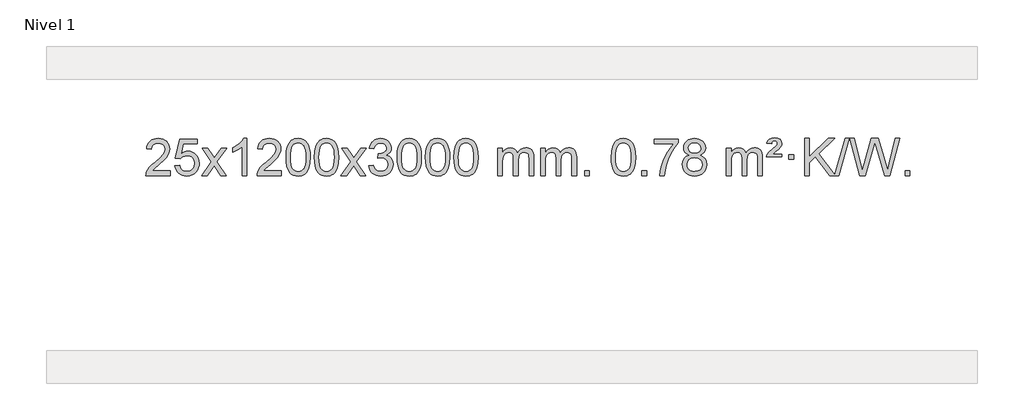
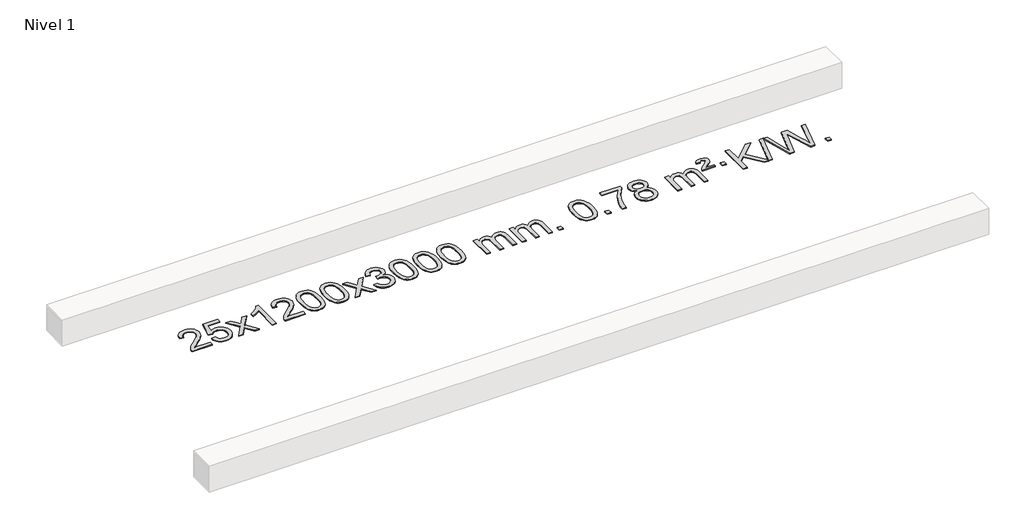
# One storey, part 7 of 7: 1 proxy.
"""IFC4 building model written with IfcOpenShell, lengths in millimetres."""

from ifc_helpers import new_model, si_unit, origin, origin_with_axes, place, context, project, spatial, polyline, outline, extrude, element, save

model = new_model("IFC4")

# Units and contexts
model_context = context("Model", 3, world=origin())
ifc_project = project(units=[si_unit("LENGTHUNIT", "METRE", prefix="MILLI")], contexts=[model_context])

# Site, building, storey
site = spatial("IfcSite", under=ifc_project)
building = spatial("IfcBuilding", under=site)
storey = spatial("IfcBuildingStorey", under=building, Name="Nivel 1", Elevation=0.0)

# Proxy
placement = place(None, origin())
element("IfcBuildingElementProxy", 1, Name="Texto de modelo 1", ObjectType="Texto de modelo 1", at=placement, inside=storey, context=model_context, shape_type="SweptSolid", body=[
    extrude(outline(polyline([(-23553.723944, 2333.9033514), (-23553.723944, 2283.6751963), (-23817.4217581, 2283.6751963), (-23816.3181122, 2301.3580575), (-23812.0261556, 2318.3051548), (-23799.640795, 2345.3690069), (-23781.5164754, 2371.6235186), (-23755.2987519, 2399.1043037), (-23718.6331797, 2429.8469757), (-23664.4318991, 2477.9904662), (-23631.9111307, 2513.5278669), (-23615.6507465, 2542.3698153), (-23610.2306185, 2570.4269488), (-23615.3441782, 2595.5778145), (-23630.6848574, 2616.4857746), (-23654.2660933, 2630.575655), (-23684.1013231, 2635.2722818), (-23715.4326064, 2630.6860196), (-23739.7741317, 2616.927233), (-23755.4826929, 2595.0750425), (-23760.9150837, 2566.2085686), (-23811.1432388, 2572.487088), (-23806.823691, 2598.4166373), (-23798.9663447, 2621.0720368), (-23787.5711999, 2640.4532866), (-23772.6382566, 2656.5603866), (-23754.5108713, 2669.2216586), (-23733.5324005, 2678.2654243), (-23709.7028443, 2683.6916838), (-23683.0222026, 2685.5004369), (-23656.1024376, 2683.4893487), (-23632.1441226, 2677.4560839), (-23611.1472578, 2667.4006427), (-23593.111843, 2653.3230251), (-23578.6264894, 2636.2655632), (-23568.2798083, 2617.2705895), (-23562.0717996, 2596.338104), (-23560.0024634, 2573.4681066), (-23562.2342808, 2549.4454124), (-23568.9297331, 2525.839651), (-23580.8123216, 2501.8292194), (-23598.6055474, 2476.5925146), (-23626.9692492, 2446.4629792), (-23670.5632657, 2407.774056), (-23728.3452644, 2359.4588873), (-23751.0067953, 2333.9033514), (-23553.723944, 2333.9033514)])), origin_with_axes(), (0.0, 0.0, 1.0), 10.0),
    extrude(outline(polyline([(-23503.4957889, 2390.4100258), (-23453.2676339, 2396.6885452), (-23444.0460585, 2366.5344844), (-23427.9573526, 2344.9398112), (-23405.0750925, 2331.9535768), (-23375.4728546, 2327.624832), (-23356.3429909, 2329.1300825), (-23339.46947, 2333.645834), (-23324.8522921, 2341.1720865), (-23312.491457, 2351.7088399), (-23302.6628764, 2364.7349283), (-23295.6424617, 2379.7291852), (-23290.0261299, 2415.6222052), (-23295.2868424, 2449.4182979), (-23301.8627331, 2463.3365), (-23311.06898, 2475.2681394), (-23322.93624, 2484.8392026), (-23337.49517, 2491.6756764), (-23374.6880397, 2497.1448554), (-23399.0540905, 2494.9620889), (-23418.7848282, 2488.4137894), (-23434.5424403, 2478.3828736), (-23446.9891145, 2465.7522585), (-23497.2172695, 2472.0307778), (-23453.2676339, 2679.2219175), (-23258.6335329, 2679.2219175), (-23258.6335329, 2628.9937624), (-23412.6534616, 2628.9937624), (-23434.1377701, 2518.3348583), (-23416.4119893, 2531.0390499), (-23398.2570128, 2540.1134724), (-23379.6728407, 2545.5581259), (-23360.6594729, 2547.3730104), (-23336.1983859, 2545.1227989), (-23313.7299931, 2538.3721643), (-23293.2542944, 2527.1211066), (-23274.7712898, 2511.3696259), (-23259.4704645, 2492.0803466), (-23248.5413035, 2470.2158933), (-23241.983807, 2445.7762661), (-23239.7979748, 2418.7614649), (-23241.7661435, 2392.7399451), (-23247.6706495, 2368.5333099), (-23257.5114929, 2346.1415591), (-23271.2886736, 2325.5646928), (-23292.1598454, 2304.4911859), (-23316.5136335, 2289.4386809), (-23344.3500378, 2280.4071779), (-23375.6690583, 2277.3966769), (-23401.5894106, 2279.3311231), (-23425.0020339, 2285.1344616), (-23445.9069283, 2294.8066923), (-23464.3040937, 2308.3478154), (-23479.6110504, 2325.0833805), (-23491.2453185, 2344.3389373), (-23499.206898, 2366.1144857), (-23503.4957889, 2390.4100258)])), origin_with_axes(), (0.0, 0.0, 1.0), 10.0),
    extrude(outline(polyline([(-23214.6838972, 2283.6751963), (-23107.3604565, 2432.0052168), (-23208.4053779, 2578.7656074), (-23147.9746288, 2578.7656074), (-23099.2180017, 2508.1322643), (-23076.4583689, 2474.7776301), (-23056.739894, 2502.0499486), (-23001.2142382, 2578.7656074), (-22940.7834891, 2578.7656074), (-23046.9297074, 2432.0052168), (-22944.7075637, 2283.6751963), (-23005.1383128, 2283.6751963), (-23066.6481824, 2372.8497919), (-23077.9298969, 2389.1347016), (-23154.2531482, 2283.6751963), (-23214.6838972, 2283.6751963)])), origin_with_axes(), (0.0, 0.0, 1.0), 10.0),
    extrude(outline(polyline([(-22724.9593853, 2283.6751963), (-22775.1875403, 2283.6751963), (-22775.1875403, 2596.8163506), (-22796.1568141, 2579.8569906), (-22822.7669451, 2562.9221561), (-22875.6438505, 2537.5628239), (-22875.6438505, 2585.0441268), (-22836.1946379, 2606.5039098), (-22802.0184005, 2632.0349203), (-22775.0771757, 2659.1846115), (-22757.3330008, 2685.5004369), (-22724.9593853, 2685.5004369), (-22724.9593853, 2283.6751963)])), origin_with_axes(), (0.0, 0.0, 1.0), 10.0),
    extrude(outline(polyline([(-22348.2482222, 2333.9033514), (-22348.2482222, 2283.6751963), (-22611.9460364, 2283.6751963), (-22610.8423904, 2301.3580575), (-22606.5504338, 2318.3051548), (-22594.1650733, 2345.3690069), (-22576.0407536, 2371.6235186), (-22549.8230301, 2399.1043037), (-22513.1574579, 2429.8469757), (-22458.9561773, 2477.9904662), (-22426.4354089, 2513.5278669), (-22410.1750247, 2542.3698153), (-22404.7548967, 2570.4269488), (-22409.8684564, 2595.5778145), (-22425.2091356, 2616.4857746), (-22448.7903715, 2630.575655), (-22478.6256013, 2635.2722818), (-22509.9568846, 2630.6860196), (-22534.2984099, 2616.927233), (-22550.0069711, 2595.0750425), (-22555.4393619, 2566.2085686), (-22605.667517, 2572.487088), (-22601.3479692, 2598.4166373), (-22593.4906229, 2621.0720368), (-22582.0954781, 2640.4532866), (-22567.1625348, 2656.5603866), (-22549.0351495, 2669.2216586), (-22528.0566787, 2678.2654243), (-22504.2271225, 2683.6916838), (-22477.5464808, 2685.5004369), (-22450.6267158, 2683.4893487), (-22426.6684008, 2677.4560839), (-22405.671536, 2667.4006427), (-22387.6361212, 2653.3230251), (-22373.1507676, 2636.2655632), (-22362.8040865, 2617.2705895), (-22356.5960778, 2596.338104), (-22354.5267416, 2573.4681066), (-22356.758559, 2549.4454124), (-22363.4540113, 2525.839651), (-22375.3365998, 2501.8292194), (-22393.1298256, 2476.5925146), (-22421.4935274, 2446.4629792), (-22465.0875439, 2407.774056), (-22522.8695426, 2359.4588873), (-22545.5310735, 2333.9033514), (-22348.2482222, 2333.9033514)])), origin_with_axes(), (0.0, 0.0, 1.0), 10.0),
    extrude(outline(polyline([(-22298.0200671, 2481.350455), (-22294.3289844, 2545.6684905), (-22283.2557364, 2596.9635034), (-22264.9106876, 2636.0203086), (-22253.0526246, 2651.2536888), (-22239.4042026, 2663.6237209), (-22223.9194363, 2673.1947842), (-22206.5523404, 2680.0312579), (-22166.1711601, 2685.5004369), (-22135.2200215, 2682.2630753), (-22107.5062446, 2672.5509907), (-22084.3296789, 2656.7443276), (-22066.9901742, 2635.2232309), (-22053.8935751, 2608.1716415), (-22043.4457265, 2575.7735005), (-22036.6031214, 2534.6320307), (-22034.322253, 2481.350455), (-22037.9765475, 2417.4003016), (-22048.9394309, 2366.227916), (-22067.1741152, 2327.1343227), (-22079.004587, 2311.8549571), (-22092.643812, 2299.4205457), (-22108.1469724, 2289.7851031), (-22125.5692505, 2282.9026441), (-22166.1711601, 2277.3966769), (-22193.8358861, 2279.7879099), (-22218.3613524, 2286.9616088), (-22239.7475591, 2298.9177736), (-22257.9945061, 2315.6564044), (-22275.505689, 2345.9146985), (-22288.0136769, 2383.6164717), (-22295.5184696, 2428.7617238), (-22298.0200671, 2481.350455)]), holes=[polyline([(-22247.7919121, 2481.4485569), (-22246.3203841, 2437.7840298), (-22241.9058001, 2402.4397671), (-22234.5481602, 2375.4157689), (-22224.2474644, 2356.7120351), (-22211.7885275, 2343.9863837), (-22197.9561644, 2334.8966328), (-22182.7503753, 2329.4427822), (-22166.1711601, 2327.624832), (-22149.5919448, 2329.4489136), (-22134.3861557, 2334.9211582), (-22120.5537927, 2344.041566), (-22108.0948558, 2356.8101369), (-22097.7941599, 2375.5445276), (-22090.43652, 2402.5623944), (-22086.021936, 2437.8637375), (-22084.5504081, 2481.4485569), (-22085.9728851, 2523.9573215), (-22090.2403163, 2558.6792504), (-22097.3527015, 2585.6143438), (-22107.3100408, 2604.7626017), (-22119.5605113, 2618.1105868), (-22133.5522898, 2627.6448618), (-22149.2853765, 2633.3654268), (-22166.7597713, 2635.2722818), (-22183.2531474, 2633.5922874), (-22198.2014191, 2628.5523041), (-22211.6045865, 2620.1523318), (-22223.4626494, 2608.3923707), (-22234.1067018, 2587.5457243), (-22241.7095964, 2559.4395399), (-22246.2713331, 2524.0738174), (-22247.7919121, 2481.4485569)])]), origin_with_axes(), (0.0, 0.0, 1.0), 10.0),
    extrude(outline(polyline([(-21990.3726173, 2481.350455), (-21986.6815346, 2545.6684905), (-21975.6082866, 2596.9635034), (-21957.2632377, 2636.0203086), (-21945.4051748, 2651.2536888), (-21931.7567527, 2663.6237209), (-21916.2719864, 2673.1947842), (-21898.9048906, 2680.0312579), (-21858.5237102, 2685.5004369), (-21827.5725717, 2682.2630753), (-21799.8587947, 2672.5509907), (-21776.682229, 2656.7443276), (-21759.3427243, 2635.2232309), (-21746.2461253, 2608.1716415), (-21735.7982766, 2575.7735005), (-21728.9556715, 2534.6320307), (-21726.6748032, 2481.350455), (-21730.3290976, 2417.4003016), (-21741.2919811, 2366.227916), (-21759.5266653, 2327.1343227), (-21771.3571372, 2311.8549571), (-21784.9963621, 2299.4205457), (-21800.4995225, 2289.7851031), (-21817.9218007, 2282.9026441), (-21858.5237102, 2277.3966769), (-21886.1884363, 2279.7879099), (-21910.7139026, 2286.9616088), (-21932.1001093, 2298.9177736), (-21950.3470562, 2315.6564044), (-21967.8582392, 2345.9146985), (-21980.366227, 2383.6164717), (-21987.8710197, 2428.7617238), (-21990.3726173, 2481.350455)]), holes=[polyline([(-21940.1444622, 2481.4485569), (-21938.6729342, 2437.7840298), (-21934.2583503, 2402.4397671), (-21926.9007104, 2375.4157689), (-21916.6000145, 2356.7120351), (-21904.1410776, 2343.9863837), (-21890.3087146, 2334.8966328), (-21875.1029255, 2329.4427822), (-21858.5237102, 2327.624832), (-21841.944495, 2329.4489136), (-21826.7387058, 2334.9211582), (-21812.9063428, 2344.041566), (-21800.4474059, 2356.8101369), (-21790.1467101, 2375.5445276), (-21782.7890702, 2402.5623944), (-21778.3744862, 2437.8637375), (-21776.9029582, 2481.4485569), (-21778.3254353, 2523.9573215), (-21782.5928664, 2558.6792504), (-21789.7052517, 2585.6143438), (-21799.662591, 2604.7626017), (-21811.9130614, 2618.1105868), (-21825.90484, 2627.6448618), (-21841.6379267, 2633.3654268), (-21859.1123214, 2635.2722818), (-21875.6056975, 2633.5922874), (-21890.5539693, 2628.5523041), (-21903.9571366, 2620.1523318), (-21915.8151996, 2608.3923707), (-21926.459252, 2587.5457243), (-21934.0621466, 2559.4395399), (-21938.6238833, 2524.0738174), (-21940.1444622, 2481.4485569)])]), origin_with_axes(), (0.0, 0.0, 1.0), 10.0),
    extrude(outline(polyline([(-21701.5607256, 2283.6751963), (-21594.2372849, 2432.0052168), (-21695.2822062, 2578.7656074), (-21634.8514572, 2578.7656074), (-21586.0948301, 2508.1322643), (-21563.3351973, 2474.7776301), (-21543.6167224, 2502.0499486), (-21488.0910666, 2578.7656074), (-21427.6603175, 2578.7656074), (-21533.8065358, 2432.0052168), (-21431.5843921, 2283.6751963), (-21492.0151412, 2283.6751963), (-21553.5250108, 2372.8497919), (-21564.8067253, 2389.1347016), (-21641.1299765, 2283.6751963), (-21701.5607256, 2283.6751963)])), origin_with_axes(), (0.0, 0.0, 1.0), 10.0),
    extrude(outline(polyline([(-21400.1917952, 2390.4100258), (-21349.9636401, 2396.6885452), (-21338.7187138, 2365.12427), (-21322.2498631, 2343.8116398), (-21299.7477478, 2331.6715339), (-21270.4030273, 2327.624832), (-21235.9692725, 2333.1921129), (-21221.6954511, 2340.1512139), (-21209.383667, 2349.8939554), (-21192.3875188, 2374.8118292), (-21186.7221361, 2405.0272038), (-21192.3384679, 2433.7097367), (-21209.1874633, 2456.9721415), (-21234.6939483, 2472.3863971), (-21266.2827489, 2477.5244823), (-21301.5013186, 2472.0307778), (-21295.9095123, 2522.2589329), (-21287.8651593, 2521.6703217), (-21257.7724121, 2525.2755653), (-21230.8679755, 2536.0912959), (-21219.7947275, 2544.270539), (-21211.8852646, 2554.3872938), (-21207.1395868, 2566.4415605), (-21205.5576943, 2580.4333391), (-21210.1439565, 2602.1261141), (-21223.9027431, 2619.7231362), (-21244.8965423, 2631.3849954), (-21271.1878422, 2635.2722818), (-21297.5281931, 2631.3482072), (-21319.0615525, 2619.5759834), (-21334.7823764, 2599.9556103), (-21343.6851207, 2572.487088), (-21393.9132758, 2578.7656074), (-21387.9597188, 2602.7453821), (-21379.1244196, 2623.86794), (-21367.407378, 2642.133281), (-21352.8085942, 2657.5414053), (-21335.7879205, 2669.7734816), (-21316.8052096, 2678.510679), (-21295.8604613, 2683.7529974), (-21272.9536758, 2685.5004369), (-21241.3771379, 2682.0546089), (-21212.3757739, 2671.7171248), (-21187.923884, 2655.4076897), (-21169.9957681, 2634.0460085), (-21158.9960964, 2609.434703), (-21155.3295392, 2583.376395), (-21158.8121554, 2559.0961834), (-21169.2600041, 2537.0723146), (-21186.5259324, 2518.3103328), (-21210.4627875, 2503.8157822), (-21179.0211397, 2491.1115907), (-21155.7219466, 2469.4801293), (-21141.3009724, 2440.0986207), (-21136.493981, 2404.144287), (-21138.8974767, 2378.6623275), (-21146.1079638, 2355.1914562), (-21158.1254423, 2333.7316731), (-21174.9499123, 2314.2829783), (-21195.4470708, 2298.1452214), (-21218.482615, 2286.6182523), (-21244.0565451, 2279.7020708), (-21272.1688608, 2277.3966769), (-21297.577244, 2279.3648456), (-21320.7292842, 2285.2693516), (-21341.6249815, 2295.110195), (-21360.264336, 2308.8873757), (-21375.8931894, 2325.7915534), (-21387.7573837, 2345.0133876), (-21395.856919, 2366.5528785), (-21400.1917952, 2390.4100258)])), origin_with_axes(), (0.0, 0.0, 1.0), 10.0),
    extrude(outline(polyline([(-21092.5443453, 2481.350455), (-21088.8532627, 2545.6684905), (-21077.7800146, 2596.9635034), (-21059.4349658, 2636.0203086), (-21047.5769028, 2651.2536888), (-21033.9284808, 2663.6237209), (-21018.4437145, 2673.1947842), (-21001.0766186, 2680.0312579), (-20960.6954383, 2685.5004369), (-20929.7442997, 2682.2630753), (-20902.0305228, 2672.5509907), (-20878.8539571, 2656.7443276), (-20861.5144524, 2635.2232309), (-20848.4178533, 2608.1716415), (-20837.9700047, 2575.7735005), (-20831.1273996, 2534.6320307), (-20828.8465312, 2481.350455), (-20832.5008257, 2417.4003016), (-20843.4637091, 2366.227916), (-20861.6983934, 2327.1343227), (-20873.5288652, 2311.8549571), (-20887.1680902, 2299.4205457), (-20902.6712506, 2289.7851031), (-20920.0935287, 2282.9026441), (-20960.6954383, 2277.3966769), (-20988.3601643, 2279.7879099), (-21012.8856306, 2286.9616088), (-21034.2718373, 2298.9177736), (-21052.5187843, 2315.6564044), (-21070.0299672, 2345.9146985), (-21082.5379551, 2383.6164717), (-21090.0427478, 2428.7617238), (-21092.5443453, 2481.350455)]), holes=[polyline([(-21042.3161903, 2481.4485569), (-21040.8446623, 2437.7840298), (-21036.4300783, 2402.4397671), (-21029.0724384, 2375.4157689), (-21018.7717426, 2356.7120351), (-21006.3128057, 2343.9863837), (-20992.4804427, 2334.8966328), (-20977.2746535, 2329.4427822), (-20960.6954383, 2327.624832), (-20944.116223, 2329.4489136), (-20928.9104339, 2334.9211582), (-20915.0780709, 2344.041566), (-20902.619134, 2356.8101369), (-20892.3184381, 2375.5445276), (-20884.9607982, 2402.5623944), (-20880.5462143, 2437.8637375), (-20879.0746863, 2481.4485569), (-20880.4971633, 2523.9573215), (-20884.7645945, 2558.6792504), (-20891.8769797, 2585.6143438), (-20901.834319, 2604.7626017), (-20914.0847895, 2618.1105868), (-20928.076568, 2627.6448618), (-20943.8096547, 2633.3654268), (-20961.2840495, 2635.2722818), (-20977.7774256, 2633.5922874), (-20992.7256973, 2628.5523041), (-21006.1288647, 2620.1523318), (-21017.9869276, 2608.3923707), (-21028.63098, 2587.5457243), (-21036.2338746, 2559.4395399), (-21040.7956114, 2524.0738174), (-21042.3161903, 2481.4485569)])]), origin_with_axes(), (0.0, 0.0, 1.0), 10.0),
    extrude(outline(polyline([(-20784.8968955, 2481.350455), (-20781.2058128, 2545.6684905), (-20770.1325648, 2596.9635034), (-20751.7875159, 2636.0203086), (-20739.929453, 2651.2536888), (-20726.2810309, 2663.6237209), (-20710.7962646, 2673.1947842), (-20693.4291688, 2680.0312579), (-20653.0479884, 2685.5004369), (-20622.0968499, 2682.2630753), (-20594.3830729, 2672.5509907), (-20571.2065072, 2656.7443276), (-20553.8670025, 2635.2232309), (-20540.7704035, 2608.1716415), (-20530.3225548, 2575.7735005), (-20523.4799497, 2534.6320307), (-20521.1990814, 2481.350455), (-20524.8533758, 2417.4003016), (-20535.8162593, 2366.227916), (-20554.0509435, 2327.1343227), (-20565.8814154, 2311.8549571), (-20579.5206403, 2299.4205457), (-20595.0238007, 2289.7851031), (-20612.4460789, 2282.9026441), (-20653.0479884, 2277.3966769), (-20680.7127145, 2279.7879099), (-20705.2381808, 2286.9616088), (-20726.6243875, 2298.9177736), (-20744.8713344, 2315.6564044), (-20762.3825174, 2345.9146985), (-20774.8905052, 2383.6164717), (-20782.3952979, 2428.7617238), (-20784.8968955, 2481.350455)]), holes=[polyline([(-20734.6687404, 2481.4485569), (-20733.1972124, 2437.7840298), (-20728.7826285, 2402.4397671), (-20721.4249886, 2375.4157689), (-20711.1242927, 2356.7120351), (-20698.6653558, 2343.9863837), (-20684.8329928, 2334.8966328), (-20669.6272037, 2329.4427822), (-20653.0479884, 2327.624832), (-20636.4687732, 2329.4489136), (-20621.2629841, 2334.9211582), (-20607.430621, 2344.041566), (-20594.9716841, 2356.8101369), (-20584.6709883, 2375.5445276), (-20577.3133484, 2402.5623944), (-20572.8987644, 2437.8637375), (-20571.4272364, 2481.4485569), (-20572.8497135, 2523.9573215), (-20577.1171446, 2558.6792504), (-20584.2295299, 2585.6143438), (-20594.1868692, 2604.7626017), (-20606.4373396, 2618.1105868), (-20620.4291182, 2627.6448618), (-20636.1622049, 2633.3654268), (-20653.6365996, 2635.2722818), (-20670.1299757, 2633.5922874), (-20685.0782475, 2628.5523041), (-20698.4814148, 2620.1523318), (-20710.3394778, 2608.3923707), (-20720.9835302, 2587.5457243), (-20728.5864248, 2559.4395399), (-20733.1481615, 2524.0738174), (-20734.6687404, 2481.4485569)])]), origin_with_axes(), (0.0, 0.0, 1.0), 10.0),
    extrude(outline(polyline([(-20477.2494457, 2481.350455), (-20473.558363, 2545.6684905), (-20462.4851149, 2596.9635034), (-20444.1400661, 2636.0203086), (-20432.2820031, 2651.2536888), (-20418.6335811, 2663.6237209), (-20403.1488148, 2673.1947842), (-20385.7817189, 2680.0312579), (-20345.4005386, 2685.5004369), (-20314.4494001, 2682.2630753), (-20286.7356231, 2672.5509907), (-20263.5590574, 2656.7443276), (-20246.2195527, 2635.2232309), (-20233.1229537, 2608.1716415), (-20222.675105, 2575.7735005), (-20215.8324999, 2534.6320307), (-20213.5516315, 2481.350455), (-20217.205926, 2417.4003016), (-20228.1688095, 2366.227916), (-20246.4034937, 2327.1343227), (-20258.2339655, 2311.8549571), (-20271.8731905, 2299.4205457), (-20287.3763509, 2289.7851031), (-20304.7986291, 2282.9026441), (-20345.4005386, 2277.3966769), (-20373.0652646, 2279.7879099), (-20397.590731, 2286.9616088), (-20418.9769376, 2298.9177736), (-20437.2238846, 2315.6564044), (-20454.7350676, 2345.9146985), (-20467.2430554, 2383.6164717), (-20474.7478481, 2428.7617238), (-20477.2494457, 2481.350455)]), holes=[polyline([(-20427.0212906, 2481.4485569), (-20425.5497626, 2437.7840298), (-20421.1351787, 2402.4397671), (-20413.7775388, 2375.4157689), (-20403.4768429, 2356.7120351), (-20391.017906, 2343.9863837), (-20377.185543, 2334.8966328), (-20361.9797538, 2329.4427822), (-20345.4005386, 2327.624832), (-20328.8213234, 2329.4489136), (-20313.6155342, 2334.9211582), (-20299.7831712, 2344.041566), (-20287.3242343, 2356.8101369), (-20277.0235384, 2375.5445276), (-20269.6658985, 2402.5623944), (-20265.2513146, 2437.8637375), (-20263.7797866, 2481.4485569), (-20265.2022637, 2523.9573215), (-20269.4696948, 2558.6792504), (-20276.58208, 2585.6143438), (-20286.5394194, 2604.7626017), (-20298.7898898, 2618.1105868), (-20312.7816684, 2627.6448618), (-20328.514755, 2633.3654268), (-20345.9891498, 2635.2722818), (-20362.4825259, 2633.5922874), (-20377.4307976, 2628.5523041), (-20390.833965, 2620.1523318), (-20402.692028, 2608.3923707), (-20413.3360804, 2587.5457243), (-20420.9389749, 2559.4395399), (-20425.5007117, 2524.0738174), (-20427.0212906, 2481.4485569)])]), origin_with_axes(), (0.0, 0.0, 1.0), 10.0),
    extrude(outline(polyline([(-20000.0819725, 2283.6751963), (-20000.0819725, 2578.7656074), (-19949.8538174, 2578.7656074), (-19949.8538174, 2530.205184), (-19934.7461301, 2552.5110956), (-19915.3219608, 2569.9854904), (-19892.2434969, 2581.2794677), (-19866.1729262, 2585.0441268), (-19838.23842, 2581.2058913), (-19815.8466693, 2569.6911848), (-19799.1203012, 2551.2602969), (-19788.1819432, 2526.6735169), (-19769.8736826, 2552.2106587), (-19748.990248, 2570.4514743), (-19725.5316395, 2581.3959636), (-19699.4978569, 2585.0441268), (-19679.3900402, 2583.5266135), (-19661.7409015, 2578.9740738), (-19646.5504408, 2571.3865077), (-19633.8186581, 2560.7639151), (-19623.7540198, 2546.9836687), (-19616.5649925, 2529.9231411), (-19612.2515761, 2509.5823325), (-19610.8137706, 2485.9612427), (-19610.8137706, 2283.6751963), (-19661.0419257, 2283.6751963), (-19661.0419257, 2464.3788323), (-19662.2068854, 2489.4315962), (-19665.7017643, 2506.3173798), (-19672.2500638, 2517.8811372), (-19682.5752852, 2526.9678224), (-19695.8558252, 2532.8539344), (-19711.2700808, 2534.8159717), (-19738.4810857, 2529.7882511), (-19760.66437, 2514.7050893), (-19769.269743, 2503.1352005), (-19775.416438, 2488.5364167), (-19780.333794, 2450.2521637), (-19780.333794, 2283.6751963), (-19830.5619491, 2283.6751963), (-19830.5619491, 2469.9706387), (-19833.4682168, 2498.3711287), (-19842.1870201, 2518.6291639), (-19857.5276993, 2530.7692697), (-19880.2995948, 2534.8159717), (-19899.6501878, 2532.1181704), (-19917.4802018, 2524.0247665), (-19932.1954816, 2510.7319637), (-19942.2018719, 2492.4359658), (-19947.940831, 2467.0521082), (-19949.8538174, 2432.4957261), (-19949.8538174, 2283.6751963), (-20000.0819725, 2283.6751963)])), origin_with_axes(), (0.0, 0.0, 1.0), 10.0),
    extrude(outline(polyline([(-19535.471538, 2283.6751963), (-19535.471538, 2578.7656074), (-19485.2433829, 2578.7656074), (-19485.2433829, 2530.205184), (-19470.1356957, 2552.5110956), (-19450.7115263, 2569.9854904), (-19427.6330625, 2581.2794677), (-19401.5624918, 2585.0441268), (-19373.6279856, 2581.2058913), (-19351.2362348, 2569.6911848), (-19334.5098668, 2551.2602969), (-19323.5715088, 2526.6735169), (-19305.2632482, 2552.2106587), (-19284.3798136, 2570.4514743), (-19260.921205, 2581.3959636), (-19234.8874225, 2585.0441268), (-19214.7796058, 2583.5266135), (-19197.1304671, 2578.9740738), (-19181.9400063, 2571.3865077), (-19169.2082236, 2560.7639151), (-19159.1435854, 2546.9836687), (-19151.954558, 2529.9231411), (-19147.6411417, 2509.5823325), (-19146.2033362, 2485.9612427), (-19146.2033362, 2283.6751963), (-19196.4314913, 2283.6751963), (-19196.4314913, 2464.3788323), (-19197.5964509, 2489.4315962), (-19201.0913299, 2506.3173798), (-19207.6396294, 2517.8811372), (-19217.9648507, 2526.9678224), (-19231.2453907, 2532.8539344), (-19246.6596463, 2534.8159717), (-19273.8706512, 2529.7882511), (-19296.0539356, 2514.7050893), (-19304.6593086, 2503.1352005), (-19310.8060036, 2488.5364167), (-19315.7233596, 2450.2521637), (-19315.7233596, 2283.6751963), (-19365.9515146, 2283.6751963), (-19365.9515146, 2469.9706387), (-19368.8577824, 2498.3711287), (-19377.5765857, 2518.6291639), (-19392.9172649, 2530.7692697), (-19415.6891604, 2534.8159717), (-19435.0397533, 2532.1181704), (-19452.8697674, 2524.0247665), (-19467.5850472, 2510.7319637), (-19477.5914374, 2492.4359658), (-19483.3303966, 2467.0521082), (-19485.2433829, 2432.4957261), (-19485.2433829, 2283.6751963), (-19535.471538, 2283.6751963)])), origin_with_axes(), (0.0, 0.0, 1.0), 10.0),
    extrude(outline(polyline([(-19058.3040648, 2283.6751963), (-19058.3040648, 2333.9033514), (-19008.0759097, 2333.9033514), (-19008.0759097, 2283.6751963), (-19058.3040648, 2283.6751963)])), origin_with_axes(), (0.0, 0.0, 1.0), 10.0),
    extrude(outline(polyline([(-18769.4921731, 2481.350455), (-18765.8010904, 2545.6684905), (-18754.7278424, 2596.9635034), (-18736.3827936, 2636.0203086), (-18724.5247306, 2651.2536888), (-18710.8763086, 2663.6237209), (-18695.3915423, 2673.1947842), (-18678.0244464, 2680.0312579), (-18637.6432661, 2685.5004369), (-18606.6921275, 2682.2630753), (-18578.9783506, 2672.5509907), (-18555.8017849, 2656.7443276), (-18538.4622802, 2635.2232309), (-18525.3656811, 2608.1716415), (-18514.9178325, 2575.7735005), (-18508.0752274, 2534.6320307), (-18505.794359, 2481.350455), (-18509.4486535, 2417.4003016), (-18520.4115369, 2366.227916), (-18538.6462212, 2327.1343227), (-18550.476693, 2311.8549571), (-18564.115918, 2299.4205457), (-18579.6190784, 2289.7851031), (-18597.0413565, 2282.9026441), (-18637.6432661, 2277.3966769), (-18665.3079921, 2279.7879099), (-18689.8334584, 2286.9616088), (-18711.2196651, 2298.9177736), (-18729.4666121, 2315.6564044), (-18746.977795, 2345.9146985), (-18759.4857829, 2383.6164717), (-18766.9905756, 2428.7617238), (-18769.4921731, 2481.350455)]), holes=[polyline([(-18719.2640181, 2481.4485569), (-18717.7924901, 2437.7840298), (-18713.3779061, 2402.4397671), (-18706.0202662, 2375.4157689), (-18695.7195704, 2356.7120351), (-18683.2606335, 2343.9863837), (-18669.4282704, 2334.8966328), (-18654.2224813, 2329.4427822), (-18637.6432661, 2327.624832), (-18621.0640508, 2329.4489136), (-18605.8582617, 2334.9211582), (-18592.0258987, 2344.041566), (-18579.5669618, 2356.8101369), (-18569.2662659, 2375.5445276), (-18561.908626, 2402.5623944), (-18557.494042, 2437.8637375), (-18556.0225141, 2481.4485569), (-18557.4449911, 2523.9573215), (-18561.7124223, 2558.6792504), (-18568.8248075, 2585.6143438), (-18578.7821468, 2604.7626017), (-18591.0326173, 2618.1105868), (-18605.0243958, 2627.6448618), (-18620.7574825, 2633.3654268), (-18638.2318772, 2635.2722818), (-18654.7252534, 2633.5922874), (-18669.6735251, 2628.5523041), (-18683.0766925, 2620.1523318), (-18694.9347554, 2608.3923707), (-18705.5788078, 2587.5457243), (-18713.1817024, 2559.4395399), (-18717.7434391, 2524.0738174), (-18719.2640181, 2481.4485569)])]), origin_with_axes(), (0.0, 0.0, 1.0), 10.0),
    extrude(outline(polyline([(-18436.7306458, 2283.6751963), (-18436.7306458, 2333.9033514), (-18386.5024907, 2333.9033514), (-18386.5024907, 2283.6751963), (-18436.7306458, 2283.6751963)])), origin_with_axes(), (0.0, 0.0, 1.0), 10.0),
    extrude(outline(polyline([(-18304.8817387, 2628.9937624), (-18304.8817387, 2679.2219175), (-18041.1839245, 2679.2219175), (-18041.1839245, 2638.6077453), (-18078.7692017, 2591.0406033), (-18115.9865969, 2530.5485405), (-18148.8139336, 2462.649787), (-18173.2290353, 2392.8625725), (-18185.1974629, 2340.6478546), (-18191.8683898, 2283.6751963), (-18242.0965448, 2283.6751963), (-18236.664154, 2335.4484558), (-18222.1328152, 2396.9828508), (-18198.8949359, 2462.2083286), (-18167.3429234, 2525.0548361), (-18130.505673, 2581.8680789), (-18091.4120796, 2628.9937624), (-18304.8817387, 2628.9937624)])), origin_with_axes(), (0.0, 0.0, 1.0), 10.0),
    extrude(outline(polyline([(-17924.0502973, 2504.9930046), (-17950.9424711, 2518.2367564), (-17969.8148175, 2536.1893978), (-17980.9616419, 2558.4830467), (-17984.6772501, 2584.7498212), (-17982.6538991, 2605.2347169), (-17976.5838462, 2624.0150928), (-17966.4670913, 2641.0909487), (-17952.3036345, 2656.4622848), (-17934.7740574, 2669.1664763), (-17914.5589418, 2678.2408989), (-17891.6582876, 2683.6855524), (-17866.0720948, 2685.5004369), (-17840.3632747, 2683.6426328), (-17817.2909423, 2678.0692206), (-17796.8550974, 2668.7802002), (-17779.0557402, 2655.7755717), (-17764.634766, 2640.1037987), (-17754.3340702, 2622.8133449), (-17748.1536527, 2603.9042104), (-17746.0935135, 2583.376395), (-17749.7600707, 2557.9557492), (-17760.7597424, 2536.042245), (-17779.2151558, 2518.1999682), (-17805.2489383, 2504.9930046), (-17774.334588, 2489.0637142), (-17751.8324726, 2465.6051057), (-17738.1104742, 2435.7453504), (-17733.5364747, 2400.6126198), (-17735.8050803, 2375.559856), (-17742.6108973, 2352.5917567), (-17753.9539254, 2331.7083221), (-17769.8341649, 2312.9095522), (-17789.4177498, 2297.3726693), (-17811.8708142, 2286.2748957), (-17837.1933582, 2279.6162316), (-17865.3853818, 2277.3966769), (-17893.5774053, 2279.6254287), (-17918.8999493, 2286.3116839), (-17941.3530138, 2297.4554427), (-17960.9365987, 2313.056705), (-17976.8168381, 2331.9872993), (-17988.1598663, 2353.1190543), (-17994.9656832, 2376.4519698), (-17997.2342889, 2401.986046), (-17992.4763484, 2438.4799399), (-17978.202527, 2468.4991107), (-17955.1485886, 2491.0134888), (-17924.0502973, 2504.9930046)]), holes=[polyline([(-17947.0061338, 2403.7518795), (-17944.9092064, 2384.5361766), (-17938.6184243, 2365.9336104), (-17927.005616, 2349.7100144), (-17908.94261, 2337.6312223), (-17887.3111487, 2330.1264296), (-17864.9929743, 2327.624832), (-17830.8044742, 2332.8855445), (-17816.9107976, 2339.4614352), (-17805.1508364, 2348.6676821), (-17789.1111814, 2372.5677491), (-17783.7646298, 2402.1822497), (-17789.2828597, 2432.2995224), (-17805.8375495, 2456.7268868), (-17817.9163417, 2466.1691914), (-17832.0797985, 2472.9136946), (-17866.660706, 2478.3092972), (-17900.3709595, 2472.987271), (-17914.1082864, 2466.3347383), (-17925.7670799, 2457.0211924), (-17941.6963703, 2433.0598118), (-17947.0061338, 2403.7518795)]), polyline([(-17934.449095, 2583.2782932), (-17929.9977229, 2561.3525263), (-17916.6436064, 2543.8413433), (-17894.7791532, 2532.363425), (-17864.7967706, 2528.5374523), (-17835.5133638, 2532.3388996), (-17813.9800043, 2543.7432414), (-17800.7362525, 2560.6658132), (-17796.3216686, 2581.0219503), (-17800.8834053, 2602.1506395), (-17814.5686155, 2619.6250343), (-17836.3962806, 2631.3604699), (-17865.3853818, 2635.2722818), (-17894.558424, 2631.4463091), (-17916.3493008, 2619.9683908), (-17929.9241465, 2603.1439209), (-17934.449095, 2583.2782932)])]), origin_with_axes(), (0.0, 0.0, 1.0), 10.0),
    extrude(outline(polyline([(-17520.0668156, 2283.6751963), (-17520.0668156, 2578.7656074), (-17469.8386606, 2578.7656074), (-17469.8386606, 2530.205184), (-17454.7309733, 2552.5110956), (-17435.306804, 2569.9854904), (-17412.2283401, 2581.2794677), (-17386.1577694, 2585.0441268), (-17358.2232632, 2581.2058913), (-17335.8315125, 2569.6911848), (-17319.1051444, 2551.2602969), (-17308.1667864, 2526.6735169), (-17289.8585258, 2552.2106587), (-17268.9750912, 2570.4514743), (-17245.5164826, 2581.3959636), (-17219.4827001, 2585.0441268), (-17199.3748834, 2583.5266135), (-17181.7257447, 2578.9740738), (-17166.535284, 2571.3865077), (-17153.8035012, 2560.7639151), (-17143.738863, 2546.9836687), (-17136.5498357, 2529.9231411), (-17132.2364193, 2509.5823325), (-17130.7986138, 2485.9612427), (-17130.7986138, 2283.6751963), (-17181.0267689, 2283.6751963), (-17181.0267689, 2464.3788323), (-17182.1917285, 2489.4315962), (-17185.6866075, 2506.3173798), (-17192.234907, 2517.8811372), (-17202.5601283, 2526.9678224), (-17215.8406684, 2532.8539344), (-17231.254924, 2534.8159717), (-17258.4659289, 2529.7882511), (-17280.6492132, 2514.7050893), (-17289.2545862, 2503.1352005), (-17295.4012812, 2488.5364167), (-17300.3186372, 2450.2521637), (-17300.3186372, 2283.6751963), (-17350.5467923, 2283.6751963), (-17350.5467923, 2469.9706387), (-17353.45306, 2498.3711287), (-17362.1718633, 2518.6291639), (-17377.5125425, 2530.7692697), (-17400.284438, 2534.8159717), (-17419.635031, 2532.1181704), (-17437.465045, 2524.0247665), (-17452.1803248, 2510.7319637), (-17462.1867151, 2492.4359658), (-17467.9256742, 2467.0521082), (-17469.8386606, 2432.4957261), (-17469.8386606, 2283.6751963), (-17520.0668156, 2283.6751963)])), origin_with_axes(), (0.0, 0.0, 1.0), 10.0),
    extrude(outline(polyline([(-17086.8489781, 2484.5878166), (-17083.0230054, 2500.4067424), (-17074.6843468, 2516.2747191), (-17053.1755128, 2541.4133221), (-17021.2188302, 2569.1516246), (-16977.0729908, 2606.5284353), (-16969.9360801, 2618.0554045), (-16967.5571098, 2629.8766792), (-16969.4455707, 2641.9677341), (-16975.1109535, 2651.7533952), (-16984.4796816, 2658.2281183), (-16997.4781788, 2660.3863594), (-17009.9125902, 2658.7676786), (-17018.7662835, 2653.9116363), (-17025.1919557, 2644.4448062), (-17030.3423037, 2628.9937624), (-17080.5704587, 2635.2722818), (-17069.7302026, 2660.4844612), (-17053.1019364, 2678.0446951), (-17029.3367595, 2688.345391), (-16997.0857713, 2691.7789563), (-16961.3031159, 2687.6464152), (-16936.5569204, 2675.248792), (-16922.1359461, 2656.9160059), (-16917.3289547, 2634.9779762), (-16921.4247076, 2612.0711907), (-16933.7119663, 2590.4397294), (-16954.2397816, 2570.6231525), (-16990.70915, 2542.566019), (-17016.3137369, 2515.9804135), (-16917.3289547, 2515.9804135), (-16917.3289547, 2484.5878166), (-17086.8489781, 2484.5878166)])), origin_with_axes(), (0.0, 0.0, 1.0), 10.0),
    extrude(outline(polyline([(-16841.9867221, 2459.4737391), (-16841.9867221, 2509.7018941), (-16791.7585671, 2509.7018941), (-16791.7585671, 2459.4737391), (-16841.9867221, 2459.4737391)])), origin_with_axes(), (0.0, 0.0, 1.0), 10.0),
    extrude(outline(polyline([(-16401.1169391, 2283.6751963), (-16554.5482566, 2486.3536502), (-16622.2385437, 2421.8026228), (-16622.2385437, 2283.6751963), (-16672.4666988, 2283.6751963), (-16672.4666988, 2685.5004369), (-16622.2385437, 2685.5004369), (-16622.2385437, 2488.8061968), (-16416.2246264, 2685.5004369), (-16345.9836908, 2685.5004369), (-16518.9372794, 2520.2968956), (-16344.2836696, 2289.7197161), (-16232.9703419, 2685.5004369), (-16187.64728, 2685.5004369), (-16300.660629, 2283.6751963), (-16339.7051714, 2283.6751963), (-16345.9836908, 2283.6751963), (-16401.1169391, 2283.6751963)])), origin_with_axes(), (0.0, 0.0, 1.0), 10.0),
    extrude(outline(polyline([(-16073.1624031, 2283.6751963), (-16182.7421868, 2685.5004369), (-16130.9444019, 2685.5004369), (-16067.3743931, 2421.4102153), (-16047.75402, 2339.8875652), (-16026.7602208, 2411.9924362), (-15947.1015061, 2685.5004369), (-15872.4459866, 2685.5004369), (-15814.565886, 2487.236567), (-15789.7706395, 2413.6601679), (-15771.4991671, 2339.8875652), (-15752.4674052, 2419.0557705), (-15688.3087853, 2685.5004369), (-15636.5110003, 2685.5004369), (-15746.1888858, 2283.6751963), (-15799.8506062, 2283.6751963), (-15896.186638, 2593.6770909), (-15909.6265936, 2636.9400135), (-15924.7342808, 2584.847923), (-16012.5354503, 2283.6751963), (-16073.1624031, 2283.6751963)])), origin_with_axes(), (0.0, 0.0, 1.0), 10.0),
    extrude(outline(polyline([(-15580.0043259, 2283.6751963), (-15580.0043259, 2333.9033514), (-15529.7761708, 2333.9033514), (-15529.7761708, 2283.6751963), (-15580.0043259, 2283.6751963)])), origin_with_axes(), (0.0, 0.0, 1.0), 10.0),
])

save(model, "model.ifc")
